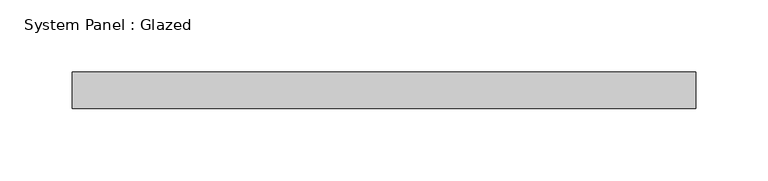
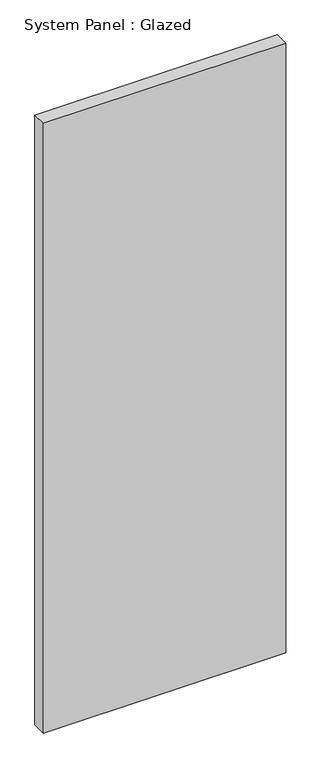
"""IFC4 building model written with IfcOpenShell, lengths in millimetres: plate geometry, System Panel : Glazed."""

from ifc_helpers import new_model, si_unit, origin, origin_with_axes, place, context, project, spatial, polyline, outline, extrude, source, transform, mapped, element, save


def system_panel_glazed_48b99655(model_context):
    return source(origin(), model_context, "Body", "SweptSolid", [
        extrude(outline(polyline([(216.0, 19.05), (-216.0, 19.05), (-216.0, 44.45), (216.0, 44.45), (216.0, 19.05)])), origin_with_axes(), (0.0, 0.0, 1.0), 1148.0),
    ])


if __name__ == "__main__":
    model = new_model("IFC4")
    model_context = context("Model", 3, world=origin())
    ifc_project = project(units=[si_unit("LENGTHUNIT", "METRE", prefix="MILLI")], contexts=[model_context])
    site = spatial("IfcSite", under=ifc_project)
    building = spatial("IfcBuilding", under=site)
    placement = place(None, origin())
    system_panel_glazed_shape = system_panel_glazed_48b99655(model_context)
    element("IfcPlate", 1, ObjectType="System Panel : Glazed", at=placement, inside=building, context=model_context, shape_type="MappedRepresentation", body=[
        mapped(system_panel_glazed_shape, transform((0.0, 0.0, 0.0), x_axis=(1.0, 0.0, 0.0), y_axis=(0.0, 1.0, 0.0), z_axis=(0.0, 0.0, 1.0))),
    ])
    save(model, "model.ifc")
